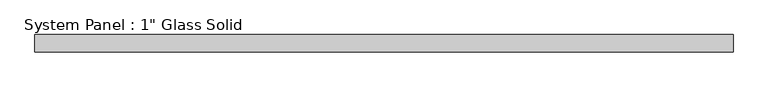
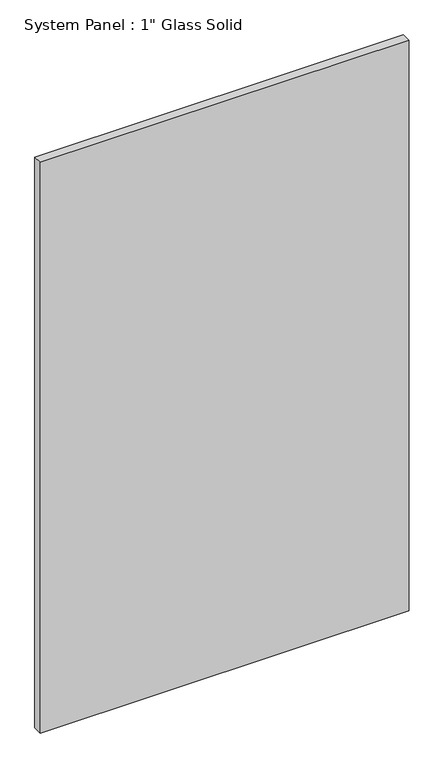
"""IFC4 building model written with IfcOpenShell, lengths in millimetres: plate geometry."""

from ifc_helpers import new_model, si_unit, origin, origin_with_axes, place, context, project, spatial, polyline, outline, extrude, source, transform, mapped, element, save


def plate_15e78a7a(model_context):
    return source(origin(), model_context, "Body", "SweptSolid", [
        extrude(outline(polyline([(510.6458333, -12.7), (-510.6458333, -12.7), (-510.6458333, 12.7), (510.6458333, 12.7), (510.6458333, -12.7)])), origin_with_axes(), (0.0, 0.0, 1.0), 1670.05),
    ])


if __name__ == "__main__":
    model = new_model("IFC4")
    model_context = context("Model", 3, world=origin())
    ifc_project = project(units=[si_unit("LENGTHUNIT", "METRE", prefix="MILLI")], contexts=[model_context])
    site = spatial("IfcSite", under=ifc_project)
    building = spatial("IfcBuilding", under=site)
    placement = place(None, origin())
    plate_shape = plate_15e78a7a(model_context)
    element("IfcPlate", 1, ObjectType="System Panel : 1\" Glass Solid", at=placement, inside=building, context=model_context, shape_type="MappedRepresentation", body=[
        mapped(plate_shape, transform((0.0, 0.0, 0.0), x_axis=(1.0, 0.0, 0.0), y_axis=(0.0, 1.0, 0.0), z_axis=(0.0, 0.0, 1.0))),
    ])
    save(model, "model.ifc")
